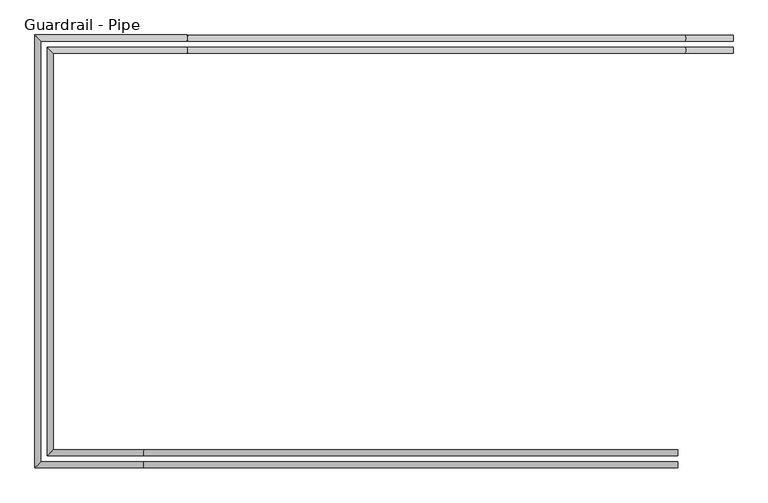
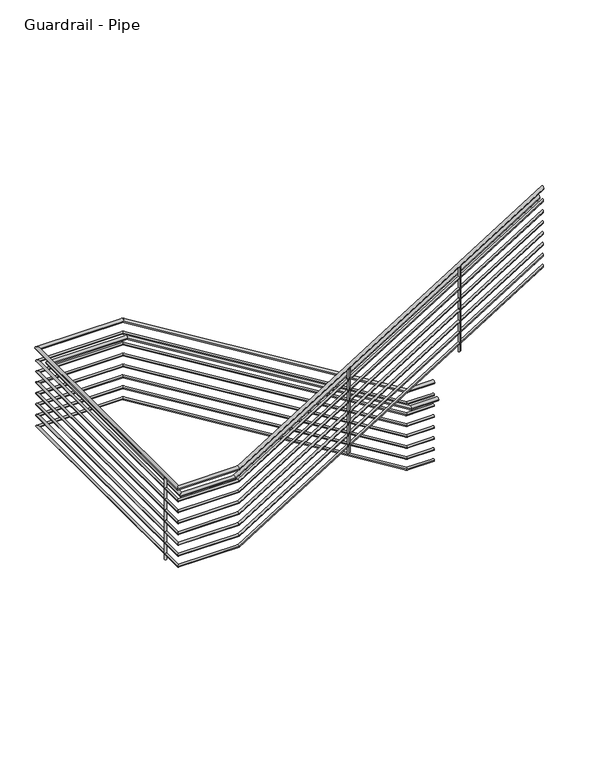
"""IFC4 building model written with IfcOpenShell, lengths in millimetres: railing geometry, Guardrail - Pipe."""

from ifc_helpers import new_model, si_unit, point, frame, frame_2d, origin, place, context, project, spatial, circle_curve, ellipse_curve, trimmed, segment, composite_curve, outline, extrude, source, transform, mapped, element, save
from ifc_brep_helpers import plane_surface, cylinder_surface, advanced_brep


def guardrail_pipe_1247537a(model_context):
    return source(origin(), model_context, "Body", "SolidModel", [
        advanced_brep(
        [(-10251.0564309, 4025.1651259, -2609.85), (-10251.0564309, 4063.2651259, -2609.85), (-10552.0875889, 4025.1651259, -2609.85), (-10552.0875889, 4063.2651259, -2609.85), (-13675.7879307, 4025.1651259, -693.9642857), (-13675.7879307, 4063.2651259, -693.9642857), (-14591.1612561, 4025.1651259, -693.9642857), (-14629.2612561, 4063.2651259, -693.9642857), (-14591.1612561, 1386.0904418, -693.9642857), (-14629.2612561, 1347.9904418, -693.9642857), (-13944.3598286, 1386.0904418, -693.9642857), (-13944.3598286, 1347.9904418, -693.9642857), (-10597.0112561, 1386.0904418, 1392.6945646), (-10597.0112561, 1347.9904418, 1392.6945646)],
        [
            (0, 1, circle_curve(frame((-10251.0564309, 4044.2151259, -2609.85), z_axis=(1.0, 0.0, 0.0), x_axis=(0.0, 1.0, 0.0)), 19.05)),
            (1, 0, circle_curve(frame((-10251.0564309, 4044.2151259, -2609.85), z_axis=(1.0, 0.0, 0.0), x_axis=(0.0, 1.0, 0.0)), 19.05)),
            (0, 2),
            (2, 3, ellipse_curve(frame((-10552.0875889, 4044.2151259, -2609.85), z_axis=(0.9624021748402088, 0.0, -0.27162852181395863), x_axis=(0.27162852181395825, 0.0, 0.962402174840209)), 19.7942196, 19.05)),
            (3, 1),
            (3, 2, ellipse_curve(frame((-10552.0875889, 4044.2151259, -2609.85), z_axis=(0.9624021748402088, 0.0, -0.27162852181395863), x_axis=(0.27162852181395825, 0.0, 0.962402174840209)), 19.7942196, 19.05)),
            (2, 4),
            (4, 5, ellipse_curve(frame((-13675.7879307, 4044.2151259, -693.9642857), z_axis=(0.9624021748402088, 0.0, -0.2716285218139585), x_axis=(-0.2716285218139585, 0.0, -0.9624021748402087)), 19.7942196, 19.05)),
            (5, 3),
            (5, 4, ellipse_curve(frame((-13675.7879307, 4044.2151259, -693.9642857), z_axis=(0.9624021748402088, 0.0, -0.2716285218139585), x_axis=(-0.2716285218139585, 0.0, -0.9624021748402087)), 19.7942196, 19.05)),
            (4, 6),
            (6, 7, ellipse_curve(frame((-14610.2112561, 4044.2151259, -693.9642857), z_axis=(0.7071067811865449, 0.70710678118655, 0.0), x_axis=(0.7071067811865501, -0.7071067811865448, 0.0)), 26.9407684, 19.05)),
            (7, 5),
            (7, 6, ellipse_curve(frame((-14610.2112561, 4044.2151259, -693.9642857), z_axis=(0.7071067811865449, 0.70710678118655, 0.0), x_axis=(0.7071067811865501, -0.7071067811865448, 0.0)), 26.9407684, 19.05)),
            (6, 8),
            (8, 9, ellipse_curve(frame((-14610.2112561, 1367.0404418, -693.9642857), z_axis=(-0.7071067811865501, 0.707106781186545, 0.0), x_axis=(0.7071067811865451, 0.70710678118655, 0.0)), 26.9407684, 19.05)),
            (9, 7),
            (9, 8, ellipse_curve(frame((-14610.2112561, 1367.0404418, -693.9642857), z_axis=(-0.7071067811865501, 0.707106781186545, 0.0), x_axis=(0.7071067811865451, 0.70710678118655, 0.0)), 26.9407684, 19.05)),
            (8, 10),
            (10, 11, ellipse_curve(frame((-13944.3598286, 1367.0404418, -693.9642857), z_axis=(-0.9614096116045895, 0.0, -0.27512098922894374), x_axis=(-0.2751209892289431, 0.0, 0.9614096116045896)), 19.8146552, 19.05)),
            (11, 9),
            (11, 10, ellipse_curve(frame((-13944.3598286, 1367.0404418, -693.9642857), z_axis=(-0.9614096116045895, 0.0, -0.27512098922894374), x_axis=(-0.2751209892289431, 0.0, 0.9614096116045896)), 19.8146552, 19.05)),
            (12, 13, ellipse_curve(frame((-10597.0112561, 1367.0404418, 1392.6945646), z_axis=(1.0, 0.0, 0.0), x_axis=(0.0, 0.0, -1.0)), 22.4482925, 19.05)),
            (13, 12, ellipse_curve(frame((-10597.0112561, 1367.0404418, 1392.6945646), z_axis=(1.0, 0.0, 0.0), x_axis=(0.0, 0.0, -1.0)), 22.4482925, 19.05)),
            (10, 12),
            (13, 11),
        ],
        [
            plane_surface(frame((-10251.0564309, 4044.2151259, -2590.8), z_axis=(1.0, 0.0, 0.0), x_axis=(0.0, -1.0, 0.0))),
            cylinder_surface(frame((-10251.0564309, 4044.2151259, -2609.85), z_axis=(1.0, 0.0, 0.0), x_axis=(0.0, 1.0, 0.0)), 19.05),
            cylinder_surface(frame((-10556.6708593, 4044.2151259, -2607.0389037), z_axis=(0.8524358922743276, 0.0, -0.5228317602847697), x_axis=(0.0, 1.0, 0.0)), 19.05),
            cylinder_surface(frame((-13670.4112561, 4044.2151259, -693.9642857), z_axis=(1.0, 0.0, 0.0), x_axis=(0.0, 1.0, 0.0)), 19.05),
            cylinder_surface(frame((-14610.2112561, 4044.2151259, -693.9642857), z_axis=(0.0, 1.0, 0.0), x_axis=(-1.0, 0.0, 0.0)), 19.05),
            cylinder_surface(frame((-14610.2112561, 1367.0404418, -693.9642857), z_axis=(-1.0, 0.0, 0.0), x_axis=(0.0, -1.0, 0.0)), 19.05),
            plane_surface(frame((-10597.0112561, 1367.0404418, 1415.1428571), z_axis=(1.0, 0.0, 0.0), x_axis=(0.0, 1.0, 0.0))),
            cylinder_surface(frame((-13939.7336551, 1367.0404418, -691.0804373), z_axis=(-0.8486168825713748, 0.0, -0.5290079267977387), x_axis=(0.0, -1.0, 0.0)), 19.05),
        ],
        [
            (0, [[1, 2]]),
            (1, [[-1, 3, 4, 5]]),
            (1, [[-2, -5, 6, -3]]),
            (2, [[-4, 7, 8, 9]]),
            (2, [[-6, -9, 10, -7]]),
            (3, [[-8, 11, 12, 13]]),
            (3, [[-10, -13, 14, -11]]),
            (4, [[-12, 15, 16, 17]]),
            (4, [[-14, -17, 18, -15]]),
            (5, [[-16, 19, 20, 21]]),
            (5, [[-18, -21, 22, -19]]),
            (6, [[23, 24]]),
            (7, [[-20, 25, -24, 26]]),
            (7, [[-22, -26, -23, -25]]),
        ],
    ),
        advanced_brep(
        [(-10251.0564309, 4031.5151259, -2755.9), (-10251.0564309, 4056.9151259, -2755.9), (-10550.295364, 4031.5151259, -2755.9), (-10550.295364, 4056.9151259, -2755.9), (-13673.9957059, 4031.5151259, -840.0142857), (-13673.9957059, 4056.9151259, -840.0142857), (-14597.5112561, 4031.5151259, -840.0142857), (-14622.9112561, 4056.9151259, -840.0142857), (-14597.5112561, 1379.7404418, -840.0142857), (-14622.9112561, 1354.3404418, -840.0142857), (-13946.1769711, 1379.7404418, -840.0142857), (-13946.1769711, 1354.3404418, -840.0142857), (-10597.0112561, 1379.7404418, 1247.7773288), (-10597.0112561, 1354.3404418, 1247.7773288)],
        [
            (0, 1, circle_curve(frame((-10251.0564309, 4044.2151259, -2755.9), z_axis=(1.0, 0.0, 0.0), x_axis=(0.0, 1.0, 0.0)), 12.7)),
            (1, 0, circle_curve(frame((-10251.0564309, 4044.2151259, -2755.9), z_axis=(1.0, 0.0, 0.0), x_axis=(0.0, 1.0, 0.0)), 12.7)),
            (0, 2),
            (2, 3, ellipse_curve(frame((-10550.295364, 4044.2151259, -2755.9), z_axis=(0.9624021748402088, 0.0, -0.27162852181395863), x_axis=(0.27162852181395825, 0.0, 0.962402174840209)), 13.1961464, 12.7)),
            (3, 1),
            (3, 2, ellipse_curve(frame((-10550.295364, 4044.2151259, -2755.9), z_axis=(0.9624021748402088, 0.0, -0.27162852181395863), x_axis=(0.27162852181395825, 0.0, 0.962402174840209)), 13.1961464, 12.7)),
            (2, 4),
            (4, 5, ellipse_curve(frame((-13673.9957059, 4044.2151259, -840.0142857), z_axis=(0.9624021748402088, 0.0, -0.2716285218139585), x_axis=(-0.2716285218139585, 0.0, -0.9624021748402087)), 13.1961464, 12.7)),
            (5, 3),
            (5, 4, ellipse_curve(frame((-13673.9957059, 4044.2151259, -840.0142857), z_axis=(0.9624021748402088, 0.0, -0.2716285218139585), x_axis=(-0.2716285218139585, 0.0, -0.9624021748402087)), 13.1961464, 12.7)),
            (4, 6),
            (6, 7, ellipse_curve(frame((-14610.2112561, 4044.2151259, -840.0142857), z_axis=(0.7071067811865449, 0.70710678118655, 0.0), x_axis=(0.7071067811865501, -0.7071067811865448, 0.0)), 17.9605122, 12.7)),
            (7, 5),
            (7, 6, ellipse_curve(frame((-14610.2112561, 4044.2151259, -840.0142857), z_axis=(0.7071067811865449, 0.70710678118655, 0.0), x_axis=(0.7071067811865501, -0.7071067811865448, 0.0)), 17.9605122, 12.7)),
            (6, 8),
            (8, 9, ellipse_curve(frame((-14610.2112561, 1367.0404418, -840.0142857), z_axis=(-0.7071067811865501, 0.707106781186545, 0.0), x_axis=(0.7071067811865451, 0.70710678118655, 0.0)), 17.9605122, 12.7)),
            (9, 7),
            (9, 8, ellipse_curve(frame((-14610.2112561, 1367.0404418, -840.0142857), z_axis=(-0.7071067811865501, 0.707106781186545, 0.0), x_axis=(0.7071067811865451, 0.70710678118655, 0.0)), 17.9605122, 12.7)),
            (8, 10),
            (10, 11, ellipse_curve(frame((-13946.1769711, 1367.0404418, -840.0142857), z_axis=(-0.9614096116045895, 0.0, -0.27512098922894374), x_axis=(-0.2751209892289431, 0.0, 0.9614096116045896)), 13.2097702, 12.7)),
            (11, 9),
            (11, 10, ellipse_curve(frame((-13946.1769711, 1367.0404418, -840.0142857), z_axis=(-0.9614096116045895, 0.0, -0.27512098922894374), x_axis=(-0.2751209892289431, 0.0, 0.9614096116045896)), 13.2097702, 12.7)),
            (12, 13, ellipse_curve(frame((-10597.0112561, 1367.0404418, 1247.7773288), z_axis=(1.0, 0.0, 0.0), x_axis=(0.0, 0.0, -1.0)), 14.9655283, 12.7)),
            (13, 12, ellipse_curve(frame((-10597.0112561, 1367.0404418, 1247.7773288), z_axis=(1.0, 0.0, 0.0), x_axis=(0.0, 0.0, -1.0)), 14.9655283, 12.7)),
            (10, 12),
            (13, 11),
        ],
        [
            plane_surface(frame((-10251.0564309, 4044.2151259, -2743.2), z_axis=(1.0, 0.0, 0.0), x_axis=(0.0, -1.0, 0.0))),
            cylinder_surface(frame((-10251.0564309, 4044.2151259, -2755.9), z_axis=(1.0, 0.0, 0.0), x_axis=(0.0, 1.0, 0.0)), 12.7),
            cylinder_surface(frame((-10553.3508776, 4044.2151259, -2754.0259358), z_axis=(0.8524358922743276, 0.0, -0.5228317602847697), x_axis=(0.0, 1.0, 0.0)), 12.7),
            cylinder_surface(frame((-13670.4112561, 4044.2151259, -840.0142857), z_axis=(1.0, 0.0, 0.0), x_axis=(0.0, 1.0, 0.0)), 12.7),
            cylinder_surface(frame((-14610.2112561, 4044.2151259, -840.0142857), z_axis=(0.0, 1.0, 0.0), x_axis=(-1.0, 0.0, 0.0)), 12.7),
            cylinder_surface(frame((-14610.2112561, 1367.0404418, -840.0142857), z_axis=(-1.0, 0.0, 0.0), x_axis=(0.0, -1.0, 0.0)), 12.7),
            plane_surface(frame((-10597.0112561, 1367.0404418, 1262.7428571), z_axis=(1.0, 0.0, 0.0), x_axis=(0.0, 1.0, 0.0))),
            cylinder_surface(frame((-13943.0928555, 1367.0404418, -838.0917201), z_axis=(-0.8486168825713748, 0.0, -0.5290079267977387), x_axis=(0.0, -1.0, 0.0)), 12.7),
        ],
        [
            (0, [[1, 2]]),
            (1, [[-1, 3, 4, 5]]),
            (1, [[-2, -5, 6, -3]]),
            (2, [[-4, 7, 8, 9]]),
            (2, [[-6, -9, 10, -7]]),
            (3, [[-8, 11, 12, 13]]),
            (3, [[-10, -13, 14, -11]]),
            (4, [[-12, 15, 16, 17]]),
            (4, [[-14, -17, 18, -15]]),
            (5, [[-16, 19, 20, 21]]),
            (5, [[-18, -21, 22, -19]]),
            (6, [[23, 24]]),
            (7, [[-20, 25, -24, 26]]),
            (7, [[-22, -26, -23, -25]]),
        ],
    ),
        advanced_brep(
        [(-10251.0564309, 3948.9651259, -2762.25), (-10251.0564309, 3987.0651259, -2762.25), (-10552.0875889, 3948.9651259, -2762.25), (-10552.0875889, 3987.0651259, -2762.25), (-13675.7879307, 3948.9651259, -846.3642857), (-13675.7879307, 3987.0651259, -846.3642857), (-14514.9612561, 3948.9651259, -846.3642857), (-14553.0612561, 3987.0651259, -846.3642857), (-14514.9612561, 1462.2904418, -846.3642857), (-14553.0612561, 1424.1904418, -846.3642857), (-13944.3598286, 1462.2904418, -846.3642857), (-13944.3598286, 1424.1904418, -846.3642857), (-10597.0112561, 1462.2904418, 1240.2945646), (-10597.0112561, 1424.1904418, 1240.2945646)],
        [
            (0, 1, circle_curve(frame((-10251.0564309, 3968.0151259, -2762.25), z_axis=(1.0, 0.0, 0.0), x_axis=(0.0, 1.0, 0.0)), 19.05)),
            (1, 0, circle_curve(frame((-10251.0564309, 3968.0151259, -2762.25), z_axis=(1.0, 0.0, 0.0), x_axis=(0.0, 1.0, 0.0)), 19.05)),
            (0, 2),
            (2, 3, ellipse_curve(frame((-10552.0875889, 3968.0151259, -2762.25), z_axis=(0.9624021748402088, 0.0, -0.27162852181395863), x_axis=(0.27162852181395825, 0.0, 0.962402174840209)), 19.7942196, 19.05)),
            (3, 1),
            (3, 2, ellipse_curve(frame((-10552.0875889, 3968.0151259, -2762.25), z_axis=(0.9624021748402088, 0.0, -0.27162852181395863), x_axis=(0.27162852181395825, 0.0, 0.962402174840209)), 19.7942196, 19.05)),
            (2, 4),
            (4, 5, ellipse_curve(frame((-13675.7879307, 3968.0151259, -846.3642857), z_axis=(0.9624021748402088, 0.0, -0.2716285218139585), x_axis=(-0.2716285218139585, 0.0, -0.9624021748402087)), 19.7942196, 19.05)),
            (5, 3),
            (5, 4, ellipse_curve(frame((-13675.7879307, 3968.0151259, -846.3642857), z_axis=(0.9624021748402088, 0.0, -0.2716285218139585), x_axis=(-0.2716285218139585, 0.0, -0.9624021748402087)), 19.7942196, 19.05)),
            (4, 6),
            (6, 7, ellipse_curve(frame((-14534.0112561, 3968.0151259, -846.3642857), z_axis=(0.7071067811865449, 0.70710678118655, 0.0), x_axis=(0.7071067811865501, -0.7071067811865448, 0.0)), 26.9407684, 19.05)),
            (7, 5),
            (7, 6, ellipse_curve(frame((-14534.0112561, 3968.0151259, -846.3642857), z_axis=(0.7071067811865449, 0.70710678118655, 0.0), x_axis=(0.7071067811865501, -0.7071067811865448, 0.0)), 26.9407684, 19.05)),
            (6, 8),
            (8, 9, ellipse_curve(frame((-14534.0112561, 1443.2404418, -846.3642857), z_axis=(-0.7071067811865501, 0.707106781186545, 0.0), x_axis=(0.7071067811865451, 0.70710678118655, 0.0)), 26.9407684, 19.05)),
            (9, 7),
            (9, 8, ellipse_curve(frame((-14534.0112561, 1443.2404418, -846.3642857), z_axis=(-0.7071067811865501, 0.707106781186545, 0.0), x_axis=(0.7071067811865451, 0.70710678118655, 0.0)), 26.9407684, 19.05)),
            (8, 10),
            (10, 11, ellipse_curve(frame((-13944.3598286, 1443.2404418, -846.3642857), z_axis=(-0.9614096116045895, 0.0, -0.27512098922894374), x_axis=(-0.2751209892289431, 0.0, 0.9614096116045896)), 19.8146552, 19.05)),
            (11, 9),
            (11, 10, ellipse_curve(frame((-13944.3598286, 1443.2404418, -846.3642857), z_axis=(-0.9614096116045895, 0.0, -0.27512098922894374), x_axis=(-0.2751209892289431, 0.0, 0.9614096116045896)), 19.8146552, 19.05)),
            (12, 13, ellipse_curve(frame((-10597.0112561, 1443.2404418, 1240.2945646), z_axis=(1.0, 0.0, 0.0), x_axis=(0.0, 0.0, -1.0)), 22.4482925, 19.05)),
            (13, 12, ellipse_curve(frame((-10597.0112561, 1443.2404418, 1240.2945646), z_axis=(1.0, 0.0, 0.0), x_axis=(0.0, 0.0, -1.0)), 22.4482925, 19.05)),
            (10, 12),
            (13, 11),
        ],
        [
            plane_surface(frame((-10251.0564309, 3968.0151259, -2743.2), z_axis=(1.0, 0.0, 0.0), x_axis=(0.0, -1.0, 0.0))),
            cylinder_surface(frame((-10251.0564309, 3968.0151259, -2762.25), z_axis=(1.0, 0.0, 0.0), x_axis=(0.0, 1.0, 0.0)), 19.05),
            cylinder_surface(frame((-10556.6708593, 3968.0151259, -2759.4389037), z_axis=(0.8524358922743276, 0.0, -0.5228317602847697), x_axis=(0.0, 1.0, 0.0)), 19.05),
            cylinder_surface(frame((-13670.4112561, 3968.0151259, -846.3642857), z_axis=(1.0, 0.0, 0.0), x_axis=(0.0, 1.0, 0.0)), 19.05),
            cylinder_surface(frame((-14534.0112561, 3968.0151259, -846.3642857), z_axis=(0.0, 1.0, 0.0), x_axis=(-1.0, 0.0, 0.0)), 19.05),
            cylinder_surface(frame((-14534.0112561, 1443.2404418, -846.3642857), z_axis=(-1.0, 0.0, 0.0), x_axis=(0.0, -1.0, 0.0)), 19.05),
            plane_surface(frame((-10597.0112561, 1443.2404418, 1262.7428571), z_axis=(1.0, 0.0, 0.0), x_axis=(0.0, 1.0, 0.0))),
            cylinder_surface(frame((-13939.7336551, 1443.2404418, -843.4804373), z_axis=(-0.8486168825713748, 0.0, -0.5290079267977387), x_axis=(0.0, -1.0, 0.0)), 19.05),
        ],
        [
            (0, [[1, 2]]),
            (1, [[-1, 3, 4, 5]]),
            (1, [[-2, -5, 6, -3]]),
            (2, [[-4, 7, 8, 9]]),
            (2, [[-6, -9, 10, -7]]),
            (3, [[-8, 11, 12, 13]]),
            (3, [[-10, -13, 14, -11]]),
            (4, [[-12, 15, 16, 17]]),
            (4, [[-14, -17, 18, -15]]),
            (5, [[-16, 19, 20, 21]]),
            (5, [[-18, -21, 22, -19]]),
            (6, [[23, 24]]),
            (7, [[-20, 25, -24, 26]]),
            (7, [[-22, -26, -23, -25]]),
        ],
    ),
        advanced_brep(
        [(-10251.0564309, 4031.5151259, -2882.9), (-10251.0564309, 4056.9151259, -2882.9), (-10550.295364, 4031.5151259, -2882.9), (-10550.295364, 4056.9151259, -2882.9), (-13673.9957059, 4031.5151259, -967.0142857), (-13673.9957059, 4056.9151259, -967.0142857), (-14597.5112561, 4031.5151259, -967.0142857), (-14622.9112561, 4056.9151259, -967.0142857), (-14597.5112561, 1379.7404418, -967.0142857), (-14622.9112561, 1354.3404418, -967.0142857), (-13946.1769711, 1379.7404418, -967.0142857), (-13946.1769711, 1354.3404418, -967.0142857), (-10597.0112561, 1379.7404418, 1120.7773288), (-10597.0112561, 1354.3404418, 1120.7773288)],
        [
            (0, 1, circle_curve(frame((-10251.0564309, 4044.2151259, -2882.9), z_axis=(1.0, 0.0, 0.0), x_axis=(0.0, 1.0, 0.0)), 12.7)),
            (1, 0, circle_curve(frame((-10251.0564309, 4044.2151259, -2882.9), z_axis=(1.0, 0.0, 0.0), x_axis=(0.0, 1.0, 0.0)), 12.7)),
            (0, 2),
            (2, 3, ellipse_curve(frame((-10550.295364, 4044.2151259, -2882.9), z_axis=(0.9624021748402088, 0.0, -0.2716285218139587), x_axis=(0.27162852181395825, 0.0, 0.962402174840209)), 13.1961464, 12.7)),
            (3, 1),
            (3, 2, ellipse_curve(frame((-10550.295364, 4044.2151259, -2882.9), z_axis=(0.9624021748402088, 0.0, -0.2716285218139587), x_axis=(0.27162852181395825, 0.0, 0.962402174840209)), 13.1961464, 12.7)),
            (2, 4),
            (4, 5, ellipse_curve(frame((-13673.9957059, 4044.2151259, -967.0142857), z_axis=(0.9624021748402088, 0.0, -0.27162852181395863), x_axis=(-0.27162852181395897, 0.0, -0.9624021748402087)), 13.1961464, 12.7)),
            (5, 3),
            (5, 4, ellipse_curve(frame((-13673.9957059, 4044.2151259, -967.0142857), z_axis=(0.9624021748402088, 0.0, -0.27162852181395863), x_axis=(-0.27162852181395897, 0.0, -0.9624021748402087)), 13.1961464, 12.7)),
            (4, 6),
            (6, 7, ellipse_curve(frame((-14610.2112561, 4044.2151259, -967.0142857), z_axis=(0.7071067811865449, 0.70710678118655, 0.0), x_axis=(0.7071067811865501, -0.7071067811865448, 0.0)), 17.9605122, 12.7)),
            (7, 5),
            (7, 6, ellipse_curve(frame((-14610.2112561, 4044.2151259, -967.0142857), z_axis=(0.7071067811865449, 0.70710678118655, 0.0), x_axis=(0.7071067811865501, -0.7071067811865448, 0.0)), 17.9605122, 12.7)),
            (6, 8),
            (8, 9, ellipse_curve(frame((-14610.2112561, 1367.0404418, -967.0142857), z_axis=(-0.7071067811865501, 0.707106781186545, 0.0), x_axis=(0.7071067811865451, 0.70710678118655, 0.0)), 17.9605122, 12.7)),
            (9, 7),
            (9, 8, ellipse_curve(frame((-14610.2112561, 1367.0404418, -967.0142857), z_axis=(-0.7071067811865501, 0.707106781186545, 0.0), x_axis=(0.7071067811865451, 0.70710678118655, 0.0)), 17.9605122, 12.7)),
            (8, 10),
            (10, 11, ellipse_curve(frame((-13946.1769711, 1367.0404418, -967.0142857), z_axis=(-0.9614096116045895, 0.0, -0.2751209892289438), x_axis=(-0.2751209892289431, 0.0, 0.9614096116045896)), 13.2097702, 12.7)),
            (11, 9),
            (11, 10, ellipse_curve(frame((-13946.1769711, 1367.0404418, -967.0142857), z_axis=(-0.9614096116045895, 0.0, -0.2751209892289438), x_axis=(-0.2751209892289431, 0.0, 0.9614096116045896)), 13.2097702, 12.7)),
            (12, 13, ellipse_curve(frame((-10597.0112561, 1367.0404418, 1120.7773288), z_axis=(1.0, 0.0, 0.0), x_axis=(0.0, 0.0, -1.0)), 14.9655283, 12.7)),
            (13, 12, ellipse_curve(frame((-10597.0112561, 1367.0404418, 1120.7773288), z_axis=(1.0, 0.0, 0.0), x_axis=(0.0, 0.0, -1.0)), 14.9655283, 12.7)),
            (10, 12),
            (13, 11),
        ],
        [
            plane_surface(frame((-10251.0564309, 4044.2151259, -2870.2), z_axis=(1.0, 0.0, 0.0), x_axis=(0.0, -1.0, 0.0))),
            cylinder_surface(frame((-10251.0564309, 4044.2151259, -2882.9), z_axis=(1.0, 0.0, 0.0), x_axis=(0.0, 1.0, 0.0)), 12.7),
            cylinder_surface(frame((-10553.3508776, 4044.2151259, -2881.0259358), z_axis=(0.8524358922743276, 0.0, -0.5228317602847699), x_axis=(0.0, 1.0, 0.0)), 12.7),
            cylinder_surface(frame((-13670.4112561, 4044.2151259, -967.0142857), z_axis=(1.0, 0.0, 0.0), x_axis=(0.0, 1.0, 0.0)), 12.7),
            cylinder_surface(frame((-14610.2112561, 4044.2151259, -967.0142857), z_axis=(0.0, 1.0, 0.0), x_axis=(-1.0, 0.0, 0.0)), 12.7),
            cylinder_surface(frame((-14610.2112561, 1367.0404418, -967.0142857), z_axis=(-1.0, 0.0, 0.0), x_axis=(0.0, -1.0, 0.0)), 12.7),
            plane_surface(frame((-10597.0112561, 1367.0404418, 1135.7428571), z_axis=(1.0, 0.0, 0.0), x_axis=(0.0, 1.0, 0.0))),
            cylinder_surface(frame((-13943.0928555, 1367.0404418, -965.0917201), z_axis=(-0.8486168825713748, 0.0, -0.5290079267977387), x_axis=(0.0, -1.0, 0.0)), 12.7),
        ],
        [
            (0, [[1, 2]]),
            (1, [[-1, 3, 4, 5]]),
            (1, [[-2, -5, 6, -3]]),
            (2, [[-4, 7, 8, 9]]),
            (2, [[-6, -9, 10, -7]]),
            (3, [[-8, 11, 12, 13]]),
            (3, [[-10, -13, 14, -11]]),
            (4, [[-12, 15, 16, 17]]),
            (4, [[-14, -17, 18, -15]]),
            (5, [[-16, 19, 20, 21]]),
            (5, [[-18, -21, 22, -19]]),
            (6, [[23, 24]]),
            (7, [[-20, 25, -24, 26]]),
            (7, [[-22, -26, -23, -25]]),
        ],
    ),
        advanced_brep(
        [(-10251.0564309, 4031.5151259, -3009.9), (-10251.0564309, 4056.9151259, -3009.9), (-10550.295364, 4031.5151259, -3009.9), (-10550.295364, 4056.9151259, -3009.9), (-13673.9957059, 4031.5151259, -1094.0142857), (-13673.9957059, 4056.9151259, -1094.0142857), (-14597.5112561, 4031.5151259, -1094.0142857), (-14622.9112561, 4056.9151259, -1094.0142857), (-14597.5112561, 1379.7404418, -1094.0142857), (-14622.9112561, 1354.3404418, -1094.0142857), (-13946.1769711, 1379.7404418, -1094.0142857), (-13946.1769711, 1354.3404418, -1094.0142857), (-10597.0112561, 1379.7404418, 993.7773288), (-10597.0112561, 1354.3404418, 993.7773288)],
        [
            (0, 1, circle_curve(frame((-10251.0564309, 4044.2151259, -3009.9), z_axis=(1.0, 0.0, 0.0), x_axis=(0.0, 1.0, 0.0)), 12.7)),
            (1, 0, circle_curve(frame((-10251.0564309, 4044.2151259, -3009.9), z_axis=(1.0, 0.0, 0.0), x_axis=(0.0, 1.0, 0.0)), 12.7)),
            (0, 2),
            (2, 3, ellipse_curve(frame((-10550.295364, 4044.2151259, -3009.9), z_axis=(0.9624021748402088, 0.0, -0.27162852181395863), x_axis=(0.27162852181395825, 0.0, 0.962402174840209)), 13.1961464, 12.7)),
            (3, 1),
            (3, 2, ellipse_curve(frame((-10550.295364, 4044.2151259, -3009.9), z_axis=(0.9624021748402088, 0.0, -0.27162852181395863), x_axis=(0.27162852181395825, 0.0, 0.962402174840209)), 13.1961464, 12.7)),
            (2, 4),
            (4, 5, ellipse_curve(frame((-13673.9957059, 4044.2151259, -1094.0142857), z_axis=(0.9624021748402088, 0.0, -0.2716285218139585), x_axis=(-0.2716285218139585, 0.0, -0.9624021748402087)), 13.1961464, 12.7)),
            (5, 3),
            (5, 4, ellipse_curve(frame((-13673.9957059, 4044.2151259, -1094.0142857), z_axis=(0.9624021748402088, 0.0, -0.2716285218139585), x_axis=(-0.2716285218139585, 0.0, -0.9624021748402087)), 13.1961464, 12.7)),
            (4, 6),
            (6, 7, ellipse_curve(frame((-14610.2112561, 4044.2151259, -1094.0142857), z_axis=(0.7071067811865449, 0.70710678118655, 0.0), x_axis=(0.7071067811865501, -0.7071067811865448, 0.0)), 17.9605122, 12.7)),
            (7, 5),
            (7, 6, ellipse_curve(frame((-14610.2112561, 4044.2151259, -1094.0142857), z_axis=(0.7071067811865449, 0.70710678118655, 0.0), x_axis=(0.7071067811865501, -0.7071067811865448, 0.0)), 17.9605122, 12.7)),
            (6, 8),
            (8, 9, ellipse_curve(frame((-14610.2112561, 1367.0404418, -1094.0142857), z_axis=(-0.7071067811865501, 0.707106781186545, 0.0), x_axis=(0.7071067811865451, 0.70710678118655, 0.0)), 17.9605122, 12.7)),
            (9, 7),
            (9, 8, ellipse_curve(frame((-14610.2112561, 1367.0404418, -1094.0142857), z_axis=(-0.7071067811865501, 0.707106781186545, 0.0), x_axis=(0.7071067811865451, 0.70710678118655, 0.0)), 17.9605122, 12.7)),
            (8, 10),
            (10, 11, ellipse_curve(frame((-13946.1769711, 1367.0404418, -1094.0142857), z_axis=(-0.9614096116045895, 0.0, -0.27512098922894374), x_axis=(-0.2751209892289431, 0.0, 0.9614096116045896)), 13.2097702, 12.7)),
            (11, 9),
            (11, 10, ellipse_curve(frame((-13946.1769711, 1367.0404418, -1094.0142857), z_axis=(-0.9614096116045895, 0.0, -0.27512098922894374), x_axis=(-0.2751209892289431, 0.0, 0.9614096116045896)), 13.2097702, 12.7)),
            (12, 13, ellipse_curve(frame((-10597.0112561, 1367.0404418, 993.7773288), z_axis=(1.0, 0.0, 0.0), x_axis=(0.0, 0.0, -1.0)), 14.9655283, 12.7)),
            (13, 12, ellipse_curve(frame((-10597.0112561, 1367.0404418, 993.7773288), z_axis=(1.0, 0.0, 0.0), x_axis=(0.0, 0.0, -1.0)), 14.9655283, 12.7)),
            (10, 12),
            (13, 11),
        ],
        [
            plane_surface(frame((-10251.0564309, 4044.2151259, -2997.2), z_axis=(1.0, 0.0, 0.0), x_axis=(0.0, -1.0, 0.0))),
            cylinder_surface(frame((-10251.0564309, 4044.2151259, -3009.9), z_axis=(1.0, 0.0, 0.0), x_axis=(0.0, 1.0, 0.0)), 12.7),
            cylinder_surface(frame((-10553.3508776, 4044.2151259, -3008.0259358), z_axis=(0.8524358922743276, 0.0, -0.5228317602847697), x_axis=(0.0, 1.0, 0.0)), 12.7),
            cylinder_surface(frame((-13670.4112561, 4044.2151259, -1094.0142857), z_axis=(1.0, 0.0, 0.0), x_axis=(0.0, 1.0, 0.0)), 12.7),
            cylinder_surface(frame((-14610.2112561, 4044.2151259, -1094.0142857), z_axis=(0.0, 1.0, 0.0), x_axis=(-1.0, 0.0, 0.0)), 12.7),
            cylinder_surface(frame((-14610.2112561, 1367.0404418, -1094.0142857), z_axis=(-1.0, 0.0, 0.0), x_axis=(0.0, -1.0, 0.0)), 12.7),
            plane_surface(frame((-10597.0112561, 1367.0404418, 1008.7428571), z_axis=(1.0, 0.0, 0.0), x_axis=(0.0, 1.0, 0.0))),
            cylinder_surface(frame((-13943.0928555, 1367.0404418, -1092.0917201), z_axis=(-0.8486168825713748, 0.0, -0.5290079267977387), x_axis=(0.0, -1.0, 0.0)), 12.7),
        ],
        [
            (0, [[1, 2]]),
            (1, [[-1, 3, 4, 5]]),
            (1, [[-2, -5, 6, -3]]),
            (2, [[-4, 7, 8, 9]]),
            (2, [[-6, -9, 10, -7]]),
            (3, [[-8, 11, 12, 13]]),
            (3, [[-10, -13, 14, -11]]),
            (4, [[-12, 15, 16, 17]]),
            (4, [[-14, -17, 18, -15]]),
            (5, [[-16, 19, 20, 21]]),
            (5, [[-18, -21, 22, -19]]),
            (6, [[23, 24]]),
            (7, [[-20, 25, -24, 26]]),
            (7, [[-22, -26, -23, -25]]),
        ],
    ),
        advanced_brep(
        [(-10251.0564309, 4031.5151259, -3136.9), (-10251.0564309, 4056.9151259, -3136.9), (-10550.295364, 4031.5151259, -3136.9), (-10550.295364, 4056.9151259, -3136.9), (-13673.9957059, 4031.5151259, -1221.0142857), (-13673.9957059, 4056.9151259, -1221.0142857), (-14597.5112561, 4031.5151259, -1221.0142857), (-14622.9112561, 4056.9151259, -1221.0142857), (-14597.5112561, 1379.7404418, -1221.0142857), (-14622.9112561, 1354.3404418, -1221.0142857), (-13946.1769711, 1379.7404418, -1221.0142857), (-13946.1769711, 1354.3404418, -1221.0142857), (-10597.0112561, 1379.7404418, 866.7773288), (-10597.0112561, 1354.3404418, 866.7773288)],
        [
            (0, 1, circle_curve(frame((-10251.0564309, 4044.2151259, -3136.9), z_axis=(1.0, 0.0, 0.0), x_axis=(0.0, 1.0, 0.0)), 12.7)),
            (1, 0, circle_curve(frame((-10251.0564309, 4044.2151259, -3136.9), z_axis=(1.0, 0.0, 0.0), x_axis=(0.0, 1.0, 0.0)), 12.7)),
            (0, 2),
            (2, 3, ellipse_curve(frame((-10550.295364, 4044.2151259, -3136.9), z_axis=(0.9624021748402088, 0.0, -0.27162852181395863), x_axis=(0.27162852181395825, 0.0, 0.962402174840209)), 13.1961464, 12.7)),
            (3, 1),
            (3, 2, ellipse_curve(frame((-10550.295364, 4044.2151259, -3136.9), z_axis=(0.9624021748402088, 0.0, -0.27162852181395863), x_axis=(0.27162852181395825, 0.0, 0.962402174840209)), 13.1961464, 12.7)),
            (2, 4),
            (4, 5, ellipse_curve(frame((-13673.9957059, 4044.2151259, -1221.0142857), z_axis=(0.9624021748402088, 0.0, -0.2716285218139585), x_axis=(-0.2716285218139585, 0.0, -0.9624021748402087)), 13.1961464, 12.7)),
            (5, 3),
            (5, 4, ellipse_curve(frame((-13673.9957059, 4044.2151259, -1221.0142857), z_axis=(0.9624021748402088, 0.0, -0.2716285218139585), x_axis=(-0.2716285218139585, 0.0, -0.9624021748402087)), 13.1961464, 12.7)),
            (4, 6),
            (6, 7, ellipse_curve(frame((-14610.2112561, 4044.2151259, -1221.0142857), z_axis=(0.7071067811865449, 0.70710678118655, 0.0), x_axis=(0.7071067811865501, -0.7071067811865448, 0.0)), 17.9605122, 12.7)),
            (7, 5),
            (7, 6, ellipse_curve(frame((-14610.2112561, 4044.2151259, -1221.0142857), z_axis=(0.7071067811865449, 0.70710678118655, 0.0), x_axis=(0.7071067811865501, -0.7071067811865448, 0.0)), 17.9605122, 12.7)),
            (6, 8),
            (8, 9, ellipse_curve(frame((-14610.2112561, 1367.0404418, -1221.0142857), z_axis=(-0.7071067811865501, 0.707106781186545, 0.0), x_axis=(0.7071067811865451, 0.70710678118655, 0.0)), 17.9605122, 12.7)),
            (9, 7),
            (9, 8, ellipse_curve(frame((-14610.2112561, 1367.0404418, -1221.0142857), z_axis=(-0.7071067811865501, 0.707106781186545, 0.0), x_axis=(0.7071067811865451, 0.70710678118655, 0.0)), 17.9605122, 12.7)),
            (8, 10),
            (10, 11, ellipse_curve(frame((-13946.1769711, 1367.0404418, -1221.0142857), z_axis=(-0.9614096116045895, 0.0, -0.27512098922894374), x_axis=(-0.2751209892289431, 0.0, 0.9614096116045896)), 13.2097702, 12.7)),
            (11, 9),
            (11, 10, ellipse_curve(frame((-13946.1769711, 1367.0404418, -1221.0142857), z_axis=(-0.9614096116045895, 0.0, -0.27512098922894374), x_axis=(-0.2751209892289431, 0.0, 0.9614096116045896)), 13.2097702, 12.7)),
            (12, 13, ellipse_curve(frame((-10597.0112561, 1367.0404418, 866.7773288), z_axis=(1.0, 0.0, 0.0), x_axis=(0.0, 0.0, -1.0)), 14.9655283, 12.7)),
            (13, 12, ellipse_curve(frame((-10597.0112561, 1367.0404418, 866.7773288), z_axis=(1.0, 0.0, 0.0), x_axis=(0.0, 0.0, -1.0)), 14.9655283, 12.7)),
            (10, 12),
            (13, 11),
        ],
        [
            plane_surface(frame((-10251.0564309, 4044.2151259, -3124.2), z_axis=(1.0, 0.0, 0.0), x_axis=(0.0, -1.0, 0.0))),
            cylinder_surface(frame((-10251.0564309, 4044.2151259, -3136.9), z_axis=(1.0, 0.0, 0.0), x_axis=(0.0, 1.0, 0.0)), 12.7),
            cylinder_surface(frame((-10553.3508776, 4044.2151259, -3135.0259358), z_axis=(0.8524358922743276, 0.0, -0.5228317602847697), x_axis=(0.0, 1.0, 0.0)), 12.7),
            cylinder_surface(frame((-13670.4112561, 4044.2151259, -1221.0142857), z_axis=(1.0, 0.0, 0.0), x_axis=(0.0, 1.0, 0.0)), 12.7),
            cylinder_surface(frame((-14610.2112561, 4044.2151259, -1221.0142857), z_axis=(0.0, 1.0, 0.0), x_axis=(-1.0, 0.0, 0.0)), 12.7),
            cylinder_surface(frame((-14610.2112561, 1367.0404418, -1221.0142857), z_axis=(-1.0, 0.0, 0.0), x_axis=(0.0, -1.0, 0.0)), 12.7),
            plane_surface(frame((-10597.0112561, 1367.0404418, 881.7428571), z_axis=(1.0, 0.0, 0.0), x_axis=(0.0, 1.0, 0.0))),
            cylinder_surface(frame((-13943.0928555, 1367.0404418, -1219.0917201), z_axis=(-0.8486168825713748, 0.0, -0.5290079267977387), x_axis=(0.0, -1.0, 0.0)), 12.7),
        ],
        [
            (0, [[1, 2]]),
            (1, [[-1, 3, 4, 5]]),
            (1, [[-2, -5, 6, -3]]),
            (2, [[-4, 7, 8, 9]]),
            (2, [[-6, -9, 10, -7]]),
            (3, [[-8, 11, 12, 13]]),
            (3, [[-10, -13, 14, -11]]),
            (4, [[-12, 15, 16, 17]]),
            (4, [[-14, -17, 18, -15]]),
            (5, [[-16, 19, 20, 21]]),
            (5, [[-18, -21, 22, -19]]),
            (6, [[23, 24]]),
            (7, [[-20, 25, -24, 26]]),
            (7, [[-22, -26, -23, -25]]),
        ],
    ),
        advanced_brep(
        [(-10251.0564309, 4031.5151259, -3263.9), (-10251.0564309, 4056.9151259, -3263.9), (-10550.295364, 4031.5151259, -3263.9), (-10550.295364, 4056.9151259, -3263.9), (-13673.9957059, 4031.5151259, -1348.0142857), (-13673.9957059, 4056.9151259, -1348.0142857), (-14597.5112561, 4031.5151259, -1348.0142857), (-14622.9112561, 4056.9151259, -1348.0142857), (-14597.5112561, 1379.7404418, -1348.0142857), (-14622.9112561, 1354.3404418, -1348.0142857), (-13946.1769711, 1379.7404418, -1348.0142857), (-13946.1769711, 1354.3404418, -1348.0142857), (-10597.0112561, 1379.7404418, 739.7773288), (-10597.0112561, 1354.3404418, 739.7773288)],
        [
            (0, 1, circle_curve(frame((-10251.0564309, 4044.2151259, -3263.9), z_axis=(1.0, 0.0, 0.0), x_axis=(0.0, 1.0, 0.0)), 12.7)),
            (1, 0, circle_curve(frame((-10251.0564309, 4044.2151259, -3263.9), z_axis=(1.0, 0.0, 0.0), x_axis=(0.0, 1.0, 0.0)), 12.7)),
            (0, 2),
            (2, 3, ellipse_curve(frame((-10550.295364, 4044.2151259, -3263.9), z_axis=(0.9624021748402088, 0.0, -0.27162852181395863), x_axis=(0.27162852181395825, 0.0, 0.962402174840209)), 13.1961464, 12.7)),
            (3, 1),
            (3, 2, ellipse_curve(frame((-10550.295364, 4044.2151259, -3263.9), z_axis=(0.9624021748402088, 0.0, -0.27162852181395863), x_axis=(0.27162852181395825, 0.0, 0.962402174840209)), 13.1961464, 12.7)),
            (2, 4),
            (4, 5, ellipse_curve(frame((-13673.9957059, 4044.2151259, -1348.0142857), z_axis=(0.9624021748402088, 0.0, -0.2716285218139585), x_axis=(-0.2716285218139585, 0.0, -0.9624021748402087)), 13.1961464, 12.7)),
            (5, 3),
            (5, 4, ellipse_curve(frame((-13673.9957059, 4044.2151259, -1348.0142857), z_axis=(0.9624021748402088, 0.0, -0.2716285218139585), x_axis=(-0.2716285218139585, 0.0, -0.9624021748402087)), 13.1961464, 12.7)),
            (4, 6),
            (6, 7, ellipse_curve(frame((-14610.2112561, 4044.2151259, -1348.0142857), z_axis=(0.7071067811865449, 0.70710678118655, 0.0), x_axis=(0.7071067811865501, -0.7071067811865448, 0.0)), 17.9605122, 12.7)),
            (7, 5),
            (7, 6, ellipse_curve(frame((-14610.2112561, 4044.2151259, -1348.0142857), z_axis=(0.7071067811865449, 0.70710678118655, 0.0), x_axis=(0.7071067811865501, -0.7071067811865448, 0.0)), 17.9605122, 12.7)),
            (6, 8),
            (8, 9, ellipse_curve(frame((-14610.2112561, 1367.0404418, -1348.0142857), z_axis=(-0.7071067811865501, 0.707106781186545, 0.0), x_axis=(0.7071067811865451, 0.70710678118655, 0.0)), 17.9605122, 12.7)),
            (9, 7),
            (9, 8, ellipse_curve(frame((-14610.2112561, 1367.0404418, -1348.0142857), z_axis=(-0.7071067811865501, 0.707106781186545, 0.0), x_axis=(0.7071067811865451, 0.70710678118655, 0.0)), 17.9605122, 12.7)),
            (8, 10),
            (10, 11, ellipse_curve(frame((-13946.1769711, 1367.0404418, -1348.0142857), z_axis=(-0.9614096116045895, 0.0, -0.27512098922894374), x_axis=(-0.2751209892289431, 0.0, 0.9614096116045896)), 13.2097702, 12.7)),
            (11, 9),
            (11, 10, ellipse_curve(frame((-13946.1769711, 1367.0404418, -1348.0142857), z_axis=(-0.9614096116045895, 0.0, -0.27512098922894374), x_axis=(-0.2751209892289431, 0.0, 0.9614096116045896)), 13.2097702, 12.7)),
            (12, 13, ellipse_curve(frame((-10597.0112561, 1367.0404418, 739.7773288), z_axis=(1.0, 0.0, 0.0), x_axis=(0.0, 0.0, -1.0)), 14.9655283, 12.7)),
            (13, 12, ellipse_curve(frame((-10597.0112561, 1367.0404418, 739.7773288), z_axis=(1.0, 0.0, 0.0), x_axis=(0.0, 0.0, -1.0)), 14.9655283, 12.7)),
            (10, 12),
            (13, 11),
        ],
        [
            plane_surface(frame((-10251.0564309, 4044.2151259, -3251.2), z_axis=(1.0, 0.0, 0.0), x_axis=(0.0, -1.0, 0.0))),
            cylinder_surface(frame((-10251.0564309, 4044.2151259, -3263.9), z_axis=(1.0, 0.0, 0.0), x_axis=(0.0, 1.0, 0.0)), 12.7),
            cylinder_surface(frame((-10553.3508776, 4044.2151259, -3262.0259358), z_axis=(0.8524358922743276, 0.0, -0.5228317602847697), x_axis=(0.0, 1.0, 0.0)), 12.7),
            cylinder_surface(frame((-13670.4112561, 4044.2151259, -1348.0142857), z_axis=(1.0, 0.0, 0.0), x_axis=(0.0, 1.0, 0.0)), 12.7),
            cylinder_surface(frame((-14610.2112561, 4044.2151259, -1348.0142857), z_axis=(0.0, 1.0, 0.0), x_axis=(-1.0, 0.0, 0.0)), 12.7),
            cylinder_surface(frame((-14610.2112561, 1367.0404418, -1348.0142857), z_axis=(-1.0, 0.0, 0.0), x_axis=(0.0, -1.0, 0.0)), 12.7),
            plane_surface(frame((-10597.0112561, 1367.0404418, 754.7428571), z_axis=(1.0, 0.0, 0.0), x_axis=(0.0, 1.0, 0.0))),
            cylinder_surface(frame((-13943.0928555, 1367.0404418, -1346.0917201), z_axis=(-0.8486168825713748, 0.0, -0.5290079267977387), x_axis=(0.0, -1.0, 0.0)), 12.7),
        ],
        [
            (0, [[1, 2]]),
            (1, [[-1, 3, 4, 5]]),
            (1, [[-2, -5, 6, -3]]),
            (2, [[-4, 7, 8, 9]]),
            (2, [[-6, -9, 10, -7]]),
            (3, [[-8, 11, 12, 13]]),
            (3, [[-10, -13, 14, -11]]),
            (4, [[-12, 15, 16, 17]]),
            (4, [[-14, -17, 18, -15]]),
            (5, [[-16, 19, 20, 21]]),
            (5, [[-18, -21, 22, -19]]),
            (6, [[23, 24]]),
            (7, [[-20, 25, -24, 26]]),
            (7, [[-22, -26, -23, -25]]),
        ],
    ),
        advanced_brep(
        [(-10251.0564309, 4031.5151259, -3390.9), (-10251.0564309, 4056.9151259, -3390.9), (-10550.295364, 4031.5151259, -3390.9), (-10550.295364, 4056.9151259, -3390.9), (-13673.9957059, 4031.5151259, -1475.0142857), (-13673.9957059, 4056.9151259, -1475.0142857), (-14597.5112561, 4031.5151259, -1475.0142857), (-14622.9112561, 4056.9151259, -1475.0142857), (-14597.5112561, 1379.7404418, -1475.0142857), (-14622.9112561, 1354.3404418, -1475.0142857), (-13946.1769711, 1379.7404418, -1475.0142857), (-13946.1769711, 1354.3404418, -1475.0142857), (-10597.0112561, 1379.7404418, 612.7773288), (-10597.0112561, 1354.3404418, 612.7773288)],
        [
            (0, 1, circle_curve(frame((-10251.0564309, 4044.2151259, -3390.9), z_axis=(1.0, 0.0, 0.0), x_axis=(0.0, 1.0, 0.0)), 12.7)),
            (1, 0, circle_curve(frame((-10251.0564309, 4044.2151259, -3390.9), z_axis=(1.0, 0.0, 0.0), x_axis=(0.0, 1.0, 0.0)), 12.7)),
            (0, 2),
            (2, 3, ellipse_curve(frame((-10550.295364, 4044.2151259, -3390.9), z_axis=(0.9624021748402088, 0.0, -0.2716285218139587), x_axis=(0.27162852181395825, 0.0, 0.962402174840209)), 13.1961464, 12.7)),
            (3, 1),
            (3, 2, ellipse_curve(frame((-10550.295364, 4044.2151259, -3390.9), z_axis=(0.9624021748402088, 0.0, -0.2716285218139587), x_axis=(0.27162852181395825, 0.0, 0.962402174840209)), 13.1961464, 12.7)),
            (2, 4),
            (4, 5, ellipse_curve(frame((-13673.9957059, 4044.2151259, -1475.0142857), z_axis=(0.9624021748402088, 0.0, -0.27162852181395863), x_axis=(-0.27162852181395897, 0.0, -0.9624021748402087)), 13.1961464, 12.7)),
            (5, 3),
            (5, 4, ellipse_curve(frame((-13673.9957059, 4044.2151259, -1475.0142857), z_axis=(0.9624021748402088, 0.0, -0.27162852181395863), x_axis=(-0.27162852181395897, 0.0, -0.9624021748402087)), 13.1961464, 12.7)),
            (4, 6),
            (6, 7, ellipse_curve(frame((-14610.2112561, 4044.2151259, -1475.0142857), z_axis=(0.7071067811865449, 0.70710678118655, 0.0), x_axis=(0.7071067811865501, -0.7071067811865448, 0.0)), 17.9605122, 12.7)),
            (7, 5),
            (7, 6, ellipse_curve(frame((-14610.2112561, 4044.2151259, -1475.0142857), z_axis=(0.7071067811865449, 0.70710678118655, 0.0), x_axis=(0.7071067811865501, -0.7071067811865448, 0.0)), 17.9605122, 12.7)),
            (6, 8),
            (8, 9, ellipse_curve(frame((-14610.2112561, 1367.0404418, -1475.0142857), z_axis=(-0.7071067811865501, 0.707106781186545, 0.0), x_axis=(0.7071067811865451, 0.70710678118655, 0.0)), 17.9605122, 12.7)),
            (9, 7),
            (9, 8, ellipse_curve(frame((-14610.2112561, 1367.0404418, -1475.0142857), z_axis=(-0.7071067811865501, 0.707106781186545, 0.0), x_axis=(0.7071067811865451, 0.70710678118655, 0.0)), 17.9605122, 12.7)),
            (8, 10),
            (10, 11, ellipse_curve(frame((-13946.1769711, 1367.0404418, -1475.0142857), z_axis=(-0.9614096116045895, 0.0, -0.2751209892289438), x_axis=(-0.2751209892289431, 0.0, 0.9614096116045896)), 13.2097702, 12.7)),
            (11, 9),
            (11, 10, ellipse_curve(frame((-13946.1769711, 1367.0404418, -1475.0142857), z_axis=(-0.9614096116045895, 0.0, -0.2751209892289438), x_axis=(-0.2751209892289431, 0.0, 0.9614096116045896)), 13.2097702, 12.7)),
            (12, 13, ellipse_curve(frame((-10597.0112561, 1367.0404418, 612.7773288), z_axis=(1.0, 0.0, 0.0), x_axis=(0.0, 0.0, -1.0)), 14.9655283, 12.7)),
            (13, 12, ellipse_curve(frame((-10597.0112561, 1367.0404418, 612.7773288), z_axis=(1.0, 0.0, 0.0), x_axis=(0.0, 0.0, -1.0)), 14.9655283, 12.7)),
            (10, 12),
            (13, 11),
        ],
        [
            plane_surface(frame((-10251.0564309, 4044.2151259, -3378.2), z_axis=(1.0, 0.0, 0.0), x_axis=(0.0, -1.0, 0.0))),
            cylinder_surface(frame((-10251.0564309, 4044.2151259, -3390.9), z_axis=(1.0, 0.0, 0.0), x_axis=(0.0, 1.0, 0.0)), 12.7),
            cylinder_surface(frame((-10553.3508776, 4044.2151259, -3389.0259358), z_axis=(0.8524358922743276, 0.0, -0.5228317602847699), x_axis=(0.0, 1.0, 0.0)), 12.7),
            cylinder_surface(frame((-13670.4112561, 4044.2151259, -1475.0142857), z_axis=(1.0, 0.0, 0.0), x_axis=(0.0, 1.0, 0.0)), 12.7),
            cylinder_surface(frame((-14610.2112561, 4044.2151259, -1475.0142857), z_axis=(0.0, 1.0, 0.0), x_axis=(-1.0, 0.0, 0.0)), 12.7),
            cylinder_surface(frame((-14610.2112561, 1367.0404418, -1475.0142857), z_axis=(-1.0, 0.0, 0.0), x_axis=(0.0, -1.0, 0.0)), 12.7),
            plane_surface(frame((-10597.0112561, 1367.0404418, 627.7428571), z_axis=(1.0, 0.0, 0.0), x_axis=(0.0, 1.0, 0.0))),
            cylinder_surface(frame((-13943.0928555, 1367.0404418, -1473.0917201), z_axis=(-0.8486168825713748, 0.0, -0.5290079267977387), x_axis=(0.0, -1.0, 0.0)), 12.7),
        ],
        [
            (0, [[1, 2]]),
            (1, [[-1, 3, 4, 5]]),
            (1, [[-2, -5, 6, -3]]),
            (2, [[-4, 7, 8, 9]]),
            (2, [[-6, -9, 10, -7]]),
            (3, [[-8, 11, 12, 13]]),
            (3, [[-10, -13, 14, -11]]),
            (4, [[-12, 15, 16, 17]]),
            (4, [[-14, -17, 18, -15]]),
            (5, [[-16, 19, 20, 21]]),
            (5, [[-18, -21, 22, -19]]),
            (6, [[23, 24]]),
            (7, [[-20, 25, -24, 26]]),
            (7, [[-22, -26, -23, -25]]),
        ],
    ),
        advanced_brep(
        [(-10251.0564309, 4031.5151259, -3517.9), (-10251.0564309, 4056.9151259, -3517.9), (-10550.295364, 4031.5151259, -3517.9), (-10550.295364, 4056.9151259, -3517.9), (-13673.9957059, 4031.5151259, -1602.0142857), (-13673.9957059, 4056.9151259, -1602.0142857), (-14597.5112561, 4031.5151259, -1602.0142857), (-14622.9112561, 4056.9151259, -1602.0142857), (-14597.5112561, 1379.7404418, -1602.0142857), (-14622.9112561, 1354.3404418, -1602.0142857), (-13946.1769711, 1379.7404418, -1602.0142857), (-13946.1769711, 1354.3404418, -1602.0142857), (-10597.0112561, 1379.7404418, 485.7773288), (-10597.0112561, 1354.3404418, 485.7773288)],
        [
            (0, 1, circle_curve(frame((-10251.0564309, 4044.2151259, -3517.9), z_axis=(1.0, 0.0, 0.0), x_axis=(0.0, 1.0, 0.0)), 12.7)),
            (1, 0, circle_curve(frame((-10251.0564309, 4044.2151259, -3517.9), z_axis=(1.0, 0.0, 0.0), x_axis=(0.0, 1.0, 0.0)), 12.7)),
            (0, 2),
            (2, 3, ellipse_curve(frame((-10550.295364, 4044.2151259, -3517.9), z_axis=(0.9624021748402088, 0.0, -0.27162852181395863), x_axis=(0.27162852181395825, 0.0, 0.962402174840209)), 13.1961464, 12.7)),
            (3, 1),
            (3, 2, ellipse_curve(frame((-10550.295364, 4044.2151259, -3517.9), z_axis=(0.9624021748402088, 0.0, -0.27162852181395863), x_axis=(0.27162852181395825, 0.0, 0.962402174840209)), 13.1961464, 12.7)),
            (2, 4),
            (4, 5, ellipse_curve(frame((-13673.9957059, 4044.2151259, -1602.0142857), z_axis=(0.9624021748402088, 0.0, -0.2716285218139585), x_axis=(-0.2716285218139585, 0.0, -0.9624021748402087)), 13.1961464, 12.7)),
            (5, 3),
            (5, 4, ellipse_curve(frame((-13673.9957059, 4044.2151259, -1602.0142857), z_axis=(0.9624021748402088, 0.0, -0.2716285218139585), x_axis=(-0.2716285218139585, 0.0, -0.9624021748402087)), 13.1961464, 12.7)),
            (4, 6),
            (6, 7, ellipse_curve(frame((-14610.2112561, 4044.2151259, -1602.0142857), z_axis=(0.7071067811865449, 0.70710678118655, 0.0), x_axis=(0.7071067811865501, -0.7071067811865448, 0.0)), 17.9605122, 12.7)),
            (7, 5),
            (7, 6, ellipse_curve(frame((-14610.2112561, 4044.2151259, -1602.0142857), z_axis=(0.7071067811865449, 0.70710678118655, 0.0), x_axis=(0.7071067811865501, -0.7071067811865448, 0.0)), 17.9605122, 12.7)),
            (6, 8),
            (8, 9, ellipse_curve(frame((-14610.2112561, 1367.0404418, -1602.0142857), z_axis=(-0.7071067811865501, 0.707106781186545, 0.0), x_axis=(0.7071067811865451, 0.70710678118655, 0.0)), 17.9605122, 12.7)),
            (9, 7),
            (9, 8, ellipse_curve(frame((-14610.2112561, 1367.0404418, -1602.0142857), z_axis=(-0.7071067811865501, 0.707106781186545, 0.0), x_axis=(0.7071067811865451, 0.70710678118655, 0.0)), 17.9605122, 12.7)),
            (8, 10),
            (10, 11, ellipse_curve(frame((-13946.1769711, 1367.0404418, -1602.0142857), z_axis=(-0.9614096116045895, 0.0, -0.27512098922894374), x_axis=(-0.2751209892289431, 0.0, 0.9614096116045896)), 13.2097702, 12.7)),
            (11, 9),
            (11, 10, ellipse_curve(frame((-13946.1769711, 1367.0404418, -1602.0142857), z_axis=(-0.9614096116045895, 0.0, -0.27512098922894374), x_axis=(-0.2751209892289431, 0.0, 0.9614096116045896)), 13.2097702, 12.7)),
            (12, 13, ellipse_curve(frame((-10597.0112561, 1367.0404418, 485.7773288), z_axis=(1.0, 0.0, 0.0), x_axis=(0.0, 0.0, -1.0)), 14.9655283, 12.7)),
            (13, 12, ellipse_curve(frame((-10597.0112561, 1367.0404418, 485.7773288), z_axis=(1.0, 0.0, 0.0), x_axis=(0.0, 0.0, -1.0)), 14.9655283, 12.7)),
            (10, 12),
            (13, 11),
        ],
        [
            plane_surface(frame((-10251.0564309, 4044.2151259, -3505.2), z_axis=(1.0, 0.0, 0.0), x_axis=(0.0, -1.0, 0.0))),
            cylinder_surface(frame((-10251.0564309, 4044.2151259, -3517.9), z_axis=(1.0, 0.0, 0.0), x_axis=(0.0, 1.0, 0.0)), 12.7),
            cylinder_surface(frame((-10553.3508776, 4044.2151259, -3516.0259358), z_axis=(0.8524358922743276, 0.0, -0.5228317602847697), x_axis=(0.0, 1.0, 0.0)), 12.7),
            cylinder_surface(frame((-13670.4112561, 4044.2151259, -1602.0142857), z_axis=(1.0, 0.0, 0.0), x_axis=(0.0, 1.0, 0.0)), 12.7),
            cylinder_surface(frame((-14610.2112561, 4044.2151259, -1602.0142857), z_axis=(0.0, 1.0, 0.0), x_axis=(-1.0, 0.0, 0.0)), 12.7),
            cylinder_surface(frame((-14610.2112561, 1367.0404418, -1602.0142857), z_axis=(-1.0, 0.0, 0.0), x_axis=(0.0, -1.0, 0.0)), 12.7),
            plane_surface(frame((-10597.0112561, 1367.0404418, 500.7428571), z_axis=(1.0, 0.0, 0.0), x_axis=(0.0, 1.0, 0.0))),
            cylinder_surface(frame((-13943.0928555, 1367.0404418, -1600.0917201), z_axis=(-0.8486168825713748, 0.0, -0.5290079267977387), x_axis=(0.0, -1.0, 0.0)), 12.7),
        ],
        [
            (0, [[1, 2]]),
            (1, [[-1, 3, 4, 5]]),
            (1, [[-2, -5, 6, -3]]),
            (2, [[-4, 7, 8, 9]]),
            (2, [[-6, -9, 10, -7]]),
            (3, [[-8, 11, 12, 13]]),
            (3, [[-10, -13, 14, -11]]),
            (4, [[-12, 15, 16, 17]]),
            (4, [[-14, -17, 18, -15]]),
            (5, [[-16, 19, 20, 21]]),
            (5, [[-18, -21, 22, -19]]),
            (6, [[23, 24]]),
            (7, [[-20, 25, -24, 26]]),
            (7, [[-22, -26, -23, -25]]),
        ],
    ),
        advanced_brep(
        [(-11511.4112561, 1354.3404418, 800.2306877), (-11511.4112561, 1354.3404418, -182.0913253), (-11511.4112561, 1379.7404418, -182.0913253), (-11511.4112561, 1379.7404418, 800.2306877)],
        [
            (0, 1),
            (1, 2, ellipse_curve(frame((-11511.4112561, 1367.0404418, -182.0913253), z_axis=(-0.5290079267977397, 0.0, 0.8486168825713741), x_axis=(0.8486168825713741, 0.0, 0.5290079267977396)), 14.9655283, 12.7)),
            (2, 3),
            (3, 0, ellipse_curve(frame((-11511.4112561, 1367.0404418, 800.2306877), z_axis=(0.5290079267977382, 0.0, -0.8486168825713751), x_axis=(0.8486168825713752, 0.0, 0.5290079267977379)), 14.9655283, 12.7)),
            (0, 3, ellipse_curve(frame((-11511.4112561, 1367.0404418, 800.2306877), z_axis=(0.5290079267977382, 0.0, -0.8486168825713751), x_axis=(0.8486168825713752, 0.0, 0.5290079267977379)), 14.9655283, 12.7)),
            (2, 1, ellipse_curve(frame((-11511.4112561, 1367.0404418, -182.0913253), z_axis=(-0.5290079267977397, 0.0, 0.8486168825713741), x_axis=(0.8486168825713741, 0.0, 0.5290079267977396)), 14.9655283, 12.7)),
        ],
        [
            cylinder_surface(frame((-11511.4112561, 1367.0404418, -410.6913253), z_axis=(0.0, 0.0, 1.0), x_axis=(0.0, 1.0, 0.0)), 12.7),
            plane_surface(frame((-11486.0112561, 1392.4404418, 816.064454), z_axis=(-0.5290079267977382, 0.0, 0.8486168825713751), x_axis=(0.0, -1.0, 0.0))),
            plane_surface(frame((-11536.8112561, 1392.4404418, -197.9250915), z_axis=(0.5290079267977397, 0.0, -0.8486168825713741), x_axis=(0.0, -1.0, 0.0))),
        ],
        [
            (0, [[1, 2, 3, 4]]),
            (0, [[-1, 5, -3, 6]]),
            (1, [[-4, -5]]),
            (2, [[-2, -6]]),
        ],
    ),
        advanced_brep(
        [(-12730.6112561, 1354.3404418, 40.2099085), (-12730.6112561, 1354.3404418, -942.1121045), (-12730.6112561, 1379.7404418, -942.1121045), (-12730.6112561, 1379.7404418, 40.2099085)],
        [
            (0, 1),
            (1, 2, ellipse_curve(frame((-12730.6112561, 1367.0404418, -942.1121045), z_axis=(-0.5290079267977397, 0.0, 0.8486168825713741), x_axis=(0.8486168825713741, 0.0, 0.5290079267977396)), 14.9655283, 12.7)),
            (2, 3),
            (3, 0, ellipse_curve(frame((-12730.6112561, 1367.0404418, 40.2099085), z_axis=(0.5290079267977382, 0.0, -0.8486168825713751), x_axis=(0.8486168825713752, 0.0, 0.5290079267977379)), 14.9655283, 12.7)),
            (0, 3, ellipse_curve(frame((-12730.6112561, 1367.0404418, 40.2099085), z_axis=(0.5290079267977382, 0.0, -0.8486168825713751), x_axis=(0.8486168825713752, 0.0, 0.5290079267977379)), 14.9655283, 12.7)),
            (2, 1, ellipse_curve(frame((-12730.6112561, 1367.0404418, -942.1121045), z_axis=(-0.5290079267977397, 0.0, 0.8486168825713741), x_axis=(0.8486168825713741, 0.0, 0.5290079267977396)), 14.9655283, 12.7)),
        ],
        [
            cylinder_surface(frame((-12730.6112561, 1367.0404418, -1170.7121045), z_axis=(0.0, 0.0, 1.0), x_axis=(0.0, 1.0, 0.0)), 12.7),
            plane_surface(frame((-12705.2112561, 1392.4404418, 56.0436747), z_axis=(-0.5290079267977382, 0.0, 0.8486168825713751), x_axis=(0.0, -1.0, 0.0))),
            plane_surface(frame((-12756.0112561, 1392.4404418, -957.9458708), z_axis=(0.5290079267977397, 0.0, -0.8486168825713741), x_axis=(0.0, -1.0, 0.0))),
        ],
        [
            (0, [[1, 2, 3, 4]]),
            (0, [[-1, 5, -3, 6]]),
            (1, [[-4, -5]]),
            (2, [[-2, -6]]),
        ],
    ),
        extrude(outline(composite_curve([segment(trimmed(circle_curve(frame_2d((-14610.2112561, 1605.8151259)), 12.7), [point((-14597.5112561, 1605.8151259))], [point((-14622.9112561, 1605.8151259))], False, "CARTESIAN"), True, "CONTINUOUS"), segment(trimmed(circle_curve(frame_2d((-14610.2112561, 1605.8151259)), 12.7), [point((-14622.9112561, 1605.8151259))], [point((-14597.5112561, 1605.8151259))], False, "CARTESIAN"), True, "CONTINUOUS")], self_intersect=False)), frame((0.0, 0.0, -1665.5142857), z_axis=(0.0, 0.0, 1.0), x_axis=(1.0, 0.0, 0.0)), (0.0, 0.0, 1.0), 952.5),
    ])


if __name__ == "__main__":
    model = new_model("IFC4")
    model_context = context("Model", 3, world=origin())
    ifc_project = project(units=[si_unit("LENGTHUNIT", "METRE", prefix="MILLI")], contexts=[model_context])
    site = spatial("IfcSite", under=ifc_project)
    building = spatial("IfcBuilding", under=site)
    placement = place(None, origin())
    guardrail_pipe_shape = guardrail_pipe_1247537a(model_context)
    element("IfcRailing", 1, ObjectType="Guardrail - Pipe", at=placement, inside=building, context=model_context, shape_type="MappedRepresentation", body=[
        mapped(guardrail_pipe_shape, transform((0.0, 0.0, 0.0), x_axis=(1.0, 0.0, 0.0), y_axis=(0.0, 1.0, 0.0), z_axis=(0.0, 0.0, 1.0))),
    ])
    save(model, "model.ifc")
